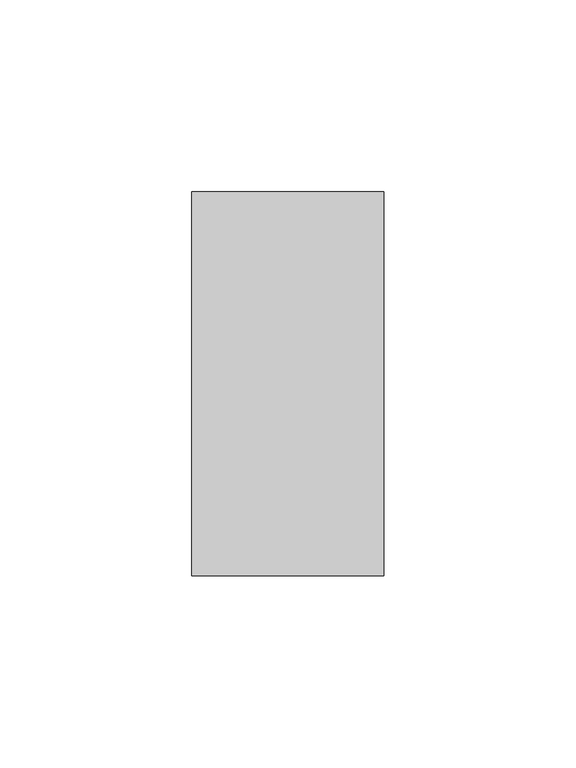
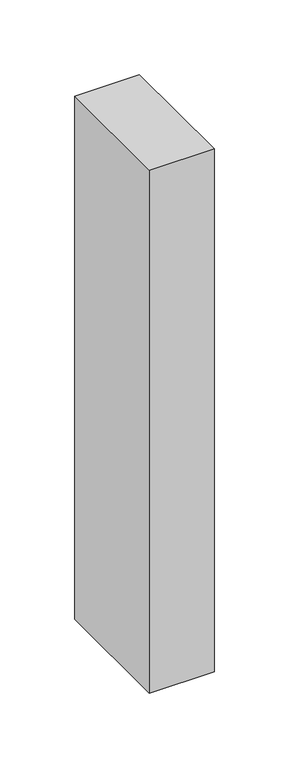
"""IFC4 building model written with IfcOpenShell, lengths in millimetres: member geometry."""

from ifc_helpers import new_model, si_unit, frame, origin, place, context, project, spatial, polyline, outline, extrude, source, transform, mapped, element, save


def member_8b3cd0eb(model_context):
    return source(origin(), model_context, "Body", "SweptSolid", [
        extrude(outline(polyline([(25.0, 50.0), (25.0, -50.0), (-25.0, -50.0), (-25.0, 50.0), (25.0, 50.0)])), frame((0.0, 0.0, -427.3076923), z_axis=(0.0, 0.0, 1.0), x_axis=(1.0, 0.0, 0.0)), (0.0, 0.0, 1.0), 427.3076923),
    ])


if __name__ == "__main__":
    model = new_model("IFC4")
    model_context = context("Model", 3, world=origin())
    ifc_project = project(units=[si_unit("LENGTHUNIT", "METRE", prefix="MILLI")], contexts=[model_context])
    site = spatial("IfcSite", under=ifc_project)
    building = spatial("IfcBuilding", under=site)
    placement = place(None, origin())
    member_shape = member_8b3cd0eb(model_context)
    element("IfcMember", 1, at=placement, inside=building, context=model_context, shape_type="MappedRepresentation", body=[
        mapped(member_shape, transform((0.0, 0.0, 0.0), x_axis=(1.0, 0.0, 0.0), y_axis=(0.0, 1.0, 0.0), z_axis=(0.0, 0.0, 1.0))),
    ])
    save(model, "model.ifc")
